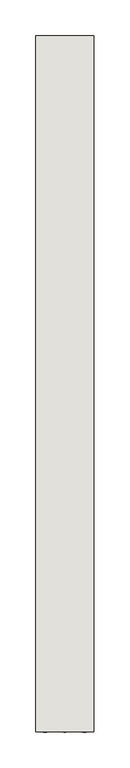
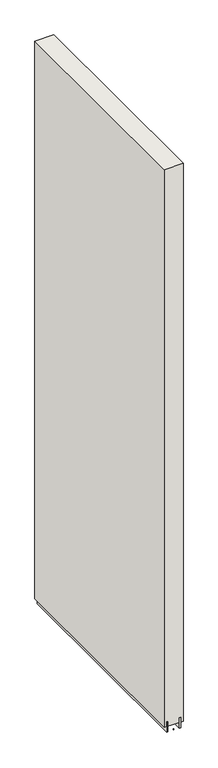
"""IFC4 building model written with IfcOpenShell, lengths in millimetres: wall geometry."""

import ifcopenshell
import ifcopenshell.guid

model = None  # the IFC model being written
_history = None  # IfcOwnerHistory: only IFC2X3 demands one
_inside = {}  # id of a spatial element -> (the spatial element, [elements in it])
_under = {}  # id of a project, library or spatial element -> (it, [spatial elements below it])
_declared = {}  # id of a project -> (the project, [libraries it declares])
_typed = {}  # id of a type object -> (the type object, [elements of that type])
_made_of = {}  # id of a material, layer set ... -> (it, [elements and type objects made of it])


def new_model(schema):
    """Start an empty IFC model of exactly this schema.

    Asked for "IFC4X3", IfcOpenShell would pick the latest addendum, in which some entities
    have other attributes; the version numbers below select the first issue.
    IFC2X3 requires an IfcOwnerHistory on every rooted entity: one is made here for all.
    """
    global model, _history
    if schema == "IFC4X3":
        model = ifcopenshell.file(schema_version=(4, 3, 0, 0))
    else:
        model = ifcopenshell.file(schema=schema)
    _inside.clear()
    _under.clear()
    _declared.clear()
    _typed.clear()
    _made_of.clear()
    _history = None
    if model.schema == "IFC2X3":
        org = make("IfcOrganization", Name="unknown")
        user = make(
            "IfcPersonAndOrganization",
            ThePerson=make("IfcPerson", FamilyName="unknown"),
            TheOrganization=org,
        )
        app = make(
            "IfcApplication",
            ApplicationDeveloper=org,
            Version="unknown",
            ApplicationFullName="unknown",
            ApplicationIdentifier="unknown",
        )
        _history = make(
            "IfcOwnerHistory",
            OwningUser=user,
            OwningApplication=app,
            ChangeAction="ADDED",
            CreationDate=0,
        )
    return model


def make(cls, **values):
    """One entity of the class cls with the attributes given. An attribute that is None is left unset."""
    return model.create_entity(
        cls, **{name: value for name, value in values.items() if value is not None}
    )


def rooted(cls, **values):
    """An entity with a GlobalId (a new one), such as an element, a storey or a relation."""
    return make(cls, GlobalId=ifcopenshell.guid.new(), OwnerHistory=_history, **values)


def si_unit(unit_type, name, prefix=None):
    """IfcSIUnit, for example si_unit("LENGTHUNIT", "METRE", prefix="MILLI")."""
    return make("IfcSIUnit", UnitType=unit_type, Prefix=prefix, Name=name)


def assignment(units):
    """IfcUnitAssignment: the units of a project."""
    return None if units is None else make("IfcUnitAssignment", Units=units)


def point(xyz):
    """IfcCartesianPoint."""
    return None if xyz is None else make("IfcCartesianPoint", Coordinates=xyz)


def direction(xyz):
    """IfcDirection."""
    return None if xyz is None else make("IfcDirection", DirectionRatios=xyz)


def frame(location, z_axis=None, x_axis=None):
    """IfcAxis2Placement3D, a coordinate frame: its origin and axes. An axis left out is left unset."""
    return make(
        "IfcAxis2Placement3D",
        Location=point(location),
        Axis=direction(z_axis),
        RefDirection=direction(x_axis),
    )


def origin():
    """The frame at (0, 0, 0) with its axes left unset."""
    return frame((0.0, 0.0, 0.0))


def place(relative_to, where):
    """IfcLocalPlacement: puts the frame where relative to a parent placement (None: the world)."""
    return make(
        "IfcLocalPlacement", PlacementRelTo=relative_to, RelativePlacement=where
    )


def context(
    kind, dimensions, precision=None, world=None, true_north=None, identifier=None
):
    """IfcGeometricRepresentationContext, for example the 3D "Model" context."""
    return make(
        "IfcGeometricRepresentationContext",
        ContextIdentifier=identifier,
        ContextType=kind,
        CoordinateSpaceDimension=dimensions,
        Precision=precision,
        WorldCoordinateSystem=world,
        TrueNorth=true_north,
    )


def project(units=None, contexts=None):
    """IfcProject with its units and contexts."""
    return rooted(
        "IfcProject",
        Name="project",
        RepresentationContexts=contexts,
        UnitsInContext=assignment(units),
    )


def spatial(cls, under=None, at=None, **own):
    """A site, building, storey or space (cls), placed at a placement, below another one or the project."""
    s = rooted(cls, ObjectPlacement=at, **own)
    if under is not None:
        _under.setdefault(under.id(), (under, []))[1].append(s)
    return s


def polyline(points):
    """IfcPolyline through the points."""
    return make("IfcPolyline", Points=[point(p) for p in points])


def outline(outer, holes=None, kind="AREA"):
    """IfcArbitraryClosedProfileDef: a profile drawn as a closed curve; with holes, ...WithVoids."""
    if holes is None:
        return make("IfcArbitraryClosedProfileDef", ProfileType=kind, OuterCurve=outer)
    return make(
        "IfcArbitraryProfileDefWithVoids",
        ProfileType=kind,
        OuterCurve=outer,
        InnerCurves=holes,
    )


def extrude(swept, where, along, depth):
    """IfcExtrudedAreaSolid: the profile swept, set in the frame where, extruded along a direction by depth."""
    return make(
        "IfcExtrudedAreaSolid",
        SweptArea=swept,
        Position=where,
        ExtrudedDirection=direction(along),
        Depth=depth,
    )


def shape(context_of_items, identifier, shape_type, items):
    """IfcShapeRepresentation: the items that make up one representation, for example the "Body"."""
    return make(
        "IfcShapeRepresentation",
        ContextOfItems=context_of_items,
        RepresentationIdentifier=identifier,
        RepresentationType=shape_type,
        Items=items,
    )


def source(mapping_origin, context_of_items, identifier, shape_type, items):
    """IfcRepresentationMap: a shape defined once, which mapped items show again and again."""
    return make(
        "IfcRepresentationMap",
        MappingOrigin=mapping_origin,
        MappedRepresentation=shape(context_of_items, identifier, shape_type, items),
    )


def transform(
    local_origin,
    x_axis=None,
    y_axis=None,
    z_axis=None,
    scale=None,
    scale2=None,
    scale3=None,
    uniform=True,
):
    """IfcCartesianTransformationOperator3D, or its non-uniform kind. x_axis, y_axis, z_axis: its Axis1, 2, 3."""
    if uniform:
        return make(
            "IfcCartesianTransformationOperator3D",
            Axis1=direction(x_axis),
            Axis2=direction(y_axis),
            LocalOrigin=point(local_origin),
            Scale=scale,
            Axis3=direction(z_axis),
        )
    return make(
        "IfcCartesianTransformationOperator3DnonUniform",
        Axis1=direction(x_axis),
        Axis2=direction(y_axis),
        LocalOrigin=point(local_origin),
        Scale=scale,
        Axis3=direction(z_axis),
        Scale2=scale2,
        Scale3=scale3,
    )


def mapped(mapping_source, mapping_target):
    """IfcMappedItem: shows the shape of a source again, moved by a transform."""
    return make(
        "IfcMappedItem", MappingSource=mapping_source, MappingTarget=mapping_target
    )


def made_of(thing, what):
    """Note that an element or type object is made of a material, layer set ...; save() writes the relation."""
    if what is not None:
        _made_of.setdefault(what.id(), (what, []))[1].append(thing)
    return thing


def element(
    cls,
    number,
    at=None,
    inside=None,
    cuts=None,
    type_object=None,
    material=None,
    context=None,
    identifier="Body",
    shape_type=None,
    held_by="IfcProductDefinitionShape",
    body=None,
    shapes=None,
    **own,
):
    """One element of the class cls, such as IfcWall. Its Tag is "e" and its number.

    at: its placement. inside: the storey or other place that contains it. cuts: it is an
    opening in that element (IfcRelVoidsElement). A single representation is given by context,
    identifier, shape_type and body (its items); several are given by shapes. held_by: the class
    of the entity that holds the representations. save() writes the other relations.
    """
    e = rooted(cls, Tag="e%d" % number, ObjectPlacement=at, **own)
    if body is not None:
        shapes = [shape(context, identifier, shape_type, body)]
    if shapes is not None:
        e.Representation = make(held_by, Representations=shapes)
    if inside is not None:
        _inside.setdefault(inside.id(), (inside, []))[1].append(e)
    if cuts is not None:
        rooted(
            "IfcRelVoidsElement", RelatingBuildingElement=cuts, RelatedOpeningElement=e
        )
    if type_object is not None:
        _typed.setdefault(type_object.id(), (type_object, []))[1].append(e)
    return made_of(e, material)


def aggregate(whole, parts):
    """IfcRelAggregates: a whole, such as a stair, and the parts it consists of."""
    return rooted("IfcRelAggregates", RelatingObject=whole, RelatedObjects=parts)


def save(model, path):
    """Write the relations noted so far, then the file.

    IfcRelAggregates (storeys below a building ...), IfcRelContainedInSpatialStructure (elements
    in a storey), IfcRelDefinesByType, IfcRelAssociatesMaterial and IfcRelDeclares: one each for
    every whole, place, type object, material and project.
    """
    for whole, parts in _under.values():
        aggregate(whole, parts)
    for where, things in _inside.values():
        rooted(
            "IfcRelContainedInSpatialStructure",
            RelatedElements=things,
            RelatingStructure=where,
        )
    for kind, things in _typed.values():
        rooted("IfcRelDefinesByType", RelatedObjects=things, RelatingType=kind)
    for what, things in _made_of.values():
        rooted("IfcRelAssociatesMaterial", RelatedObjects=things, RelatingMaterial=what)
    for by, libraries in _declared.values():
        rooted("IfcRelDeclares", RelatingContext=by, RelatedDefinitions=libraries)
    model.write(path)


def wall_cdb924ab(model_context):
    return source(origin(), model_context, "Body", "SweptSolid", [
        extrude(outline(polyline([(61876.342211, -46994.6062392), (61876.342211, -46992.0662392), (61878.882211, -46992.0662392), (61878.882211, -46994.6062392), (61876.342211, -46994.6062392)])), frame((0.0, 0.0, 4419.6), z_axis=(0.0, 0.0, 1.0), x_axis=(1.0, 0.0, 0.0)), (0.0, 0.0, 1.0), 2.54),
        extrude(outline(polyline([(61902.6959556, -46994.598162), (61902.6959556, -46020.6607144), (61907.774711, -46020.6607144), (61907.774711, -46994.598162), (61902.6959556, -46994.598162)])), frame((0.0, 0.0, 4418.6602), z_axis=(0.0, 0.0, 1.0), x_axis=(1.0, 0.0, 0.0)), (0.0, 0.0, 1.0), 47.625),
        extrude(outline(polyline([(61902.6959556, -46994.598162), (61902.6959556, -46020.6607144), (61907.774711, -46020.6607144), (61907.774711, -46994.598162), (61902.6959556, -46994.598162)])), frame((0.0, 0.0, 4418.6602), z_axis=(0.0, 0.0, 1.0), x_axis=(1.0, 0.0, 0.0)), (0.0, 0.0, 1.0), 47.625),
        extrude(outline(polyline([(61852.5284664, -46020.6607144), (61852.5284664, -46994.598162), (61847.449711, -46994.598162), (61847.449711, -46020.6607144), (61852.5284664, -46020.6607144)])), frame((0.0, 0.0, 4418.6602), z_axis=(0.0, 0.0, 1.0), x_axis=(1.0, 0.0, 0.0)), (0.0, 0.0, 1.0), 47.625),
        extrude(outline(polyline([(61852.5284664, -46020.6607144), (61852.5284664, -46994.598162), (61847.449711, -46994.598162), (61847.449711, -46020.6607144), (61852.5284664, -46020.6607144)])), frame((0.0, 0.0, 4418.6602), z_axis=(0.0, 0.0, 1.0), x_axis=(1.0, 0.0, 0.0)), (0.0, 0.0, 1.0), 47.625),
        extrude(outline(polyline([(61918.2670954, -46994.598162), (61836.9573266, -46994.598162), (61836.9573266, -46020.6607144), (61918.2670954, -46020.6607144), (61918.2670954, -46994.598162)])), frame((0.0, 0.0, 4445.0), z_axis=(0.0, 0.0, 1.0), x_axis=(1.0, 0.0, 0.0)), (0.0, 0.0, 1.0), 2562.4536762),
    ])


if __name__ == "__main__":
    model = new_model("IFC4")
    model_context = context("Model", 3, world=origin())
    ifc_project = project(units=[si_unit("LENGTHUNIT", "METRE", prefix="MILLI")], contexts=[model_context])
    site = spatial("IfcSite", under=ifc_project)
    building = spatial("IfcBuilding", under=site)
    placement = place(None, origin())
    wall_shape = wall_cdb924ab(model_context)
    element("IfcWall", 1, at=placement, inside=building, context=model_context, shape_type="MappedRepresentation", body=[
        mapped(wall_shape, transform((0.0, 0.0, 0.0), x_axis=(1.0, 0.0, 0.0), y_axis=(0.0, 1.0, 0.0), z_axis=(0.0, 0.0, 1.0))),
    ])
    save(model, "model.ifc")
